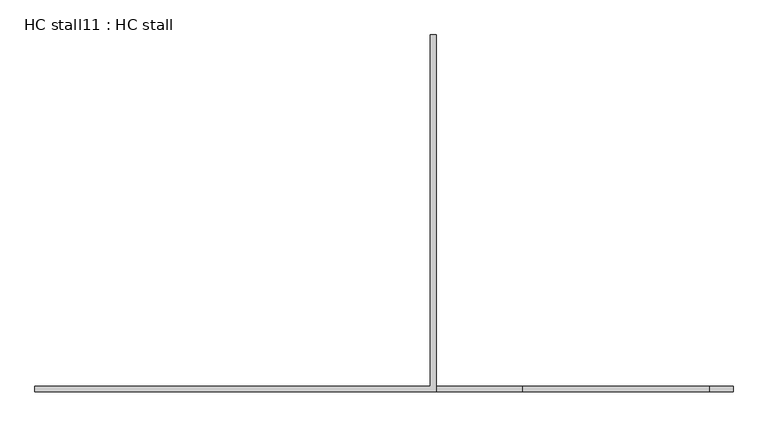
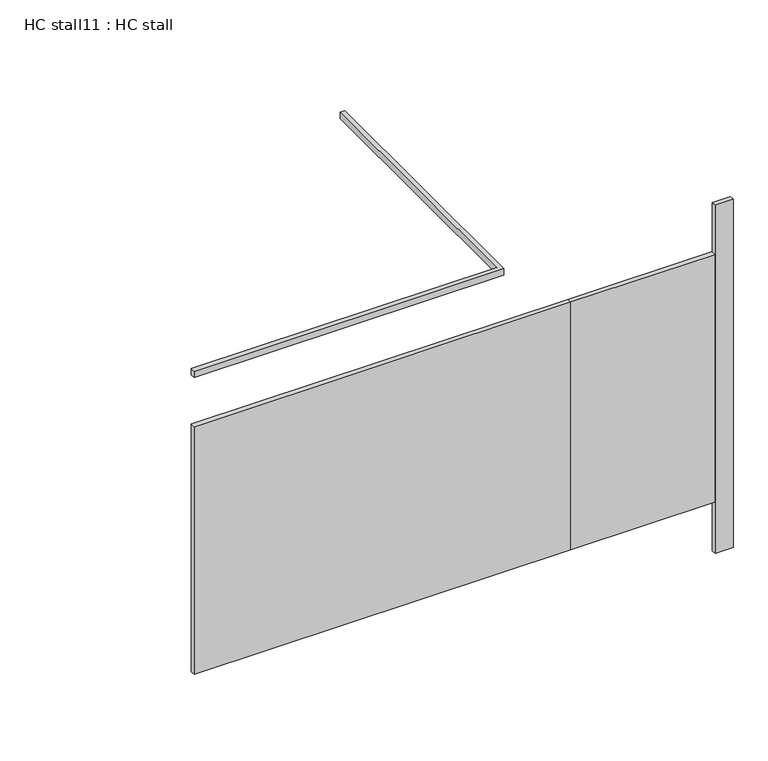
"""IFC4 building model written with IfcOpenShell, lengths in millimetres: proxy geometry, HC stall11 : HC stall."""

from ifc_helpers import new_model, si_unit, frame, origin, origin_with_axes, place, context, project, spatial, polyline, outline, extrude, source, transform, mapped, element, save


def hc_stall11_hc_stall_88f1b03b(model_context):
    return source(origin(), model_context, "Body", "SweptSolid", [
        extrude(outline(polyline([(286310.1754676, -251065.5205223), (286310.1754676, -251040.1205223), (288426.3129676, -251040.1205223), (288426.3129676, -251065.5205223), (286310.1754676, -251065.5205223)])), frame((0.0, 0.0, 304.8), z_axis=(0.0, 0.0, 1.0), x_axis=(1.0, 0.0, 0.0)), (0.0, 0.0, 1.0), 1473.2),
        extrude(outline(polyline([(289239.1129676, -251040.1205223), (289340.7129676, -251040.1205223), (289340.7129676, -251065.5205223), (289239.1129676, -251065.5205223), (289239.1129676, -251040.1205223)])), origin_with_axes(), (0.0, 0.0, 1.0), 2070.1),
        extrude(outline(polyline([(288026.2629676, -251040.1205223), (288026.2629676, -249516.1205223), (288051.6629676, -249516.1205223), (288051.6629676, -251065.5205223), (286310.1754676, -251065.5205223), (286310.1754676, -251040.1205223), (288026.2629676, -251040.1205223)])), frame((0.0, 0.0, 2070.1), z_axis=(0.0, 0.0, 1.0), x_axis=(1.0, 0.0, 0.0)), (0.0, 0.0, 1.0), 38.1),
        extrude(outline(polyline([(288426.3129676, -251040.1205223), (289239.1129676, -251040.1205223), (289239.1129676, -251065.5205223), (288426.3129676, -251065.5205223), (288426.3129676, -251040.1205223)])), frame((0.0, 0.0, 304.8), z_axis=(0.0, 0.0, 1.0), x_axis=(1.0, 0.0, 0.0)), (0.0, 0.0, 1.0), 1473.2),
    ])


if __name__ == "__main__":
    model = new_model("IFC4")
    model_context = context("Model", 3, world=origin())
    ifc_project = project(units=[si_unit("LENGTHUNIT", "METRE", prefix="MILLI")], contexts=[model_context])
    site = spatial("IfcSite", under=ifc_project)
    building = spatial("IfcBuilding", under=site)
    placement = place(None, origin())
    hc_stall11_hc_stall_shape = hc_stall11_hc_stall_88f1b03b(model_context)
    element("IfcBuildingElementProxy", 1, Name="HC stall11 : HC stall", ObjectType="HC stall11 : HC stall", at=placement, inside=building, context=model_context, shape_type="MappedRepresentation", body=[
        mapped(hc_stall11_hc_stall_shape, transform((0.0, 0.0, 0.0), x_axis=(1.0, 0.0, 0.0), y_axis=(0.0, 1.0, 0.0), z_axis=(0.0, 0.0, 1.0))),
    ])
    save(model, "model.ifc")
